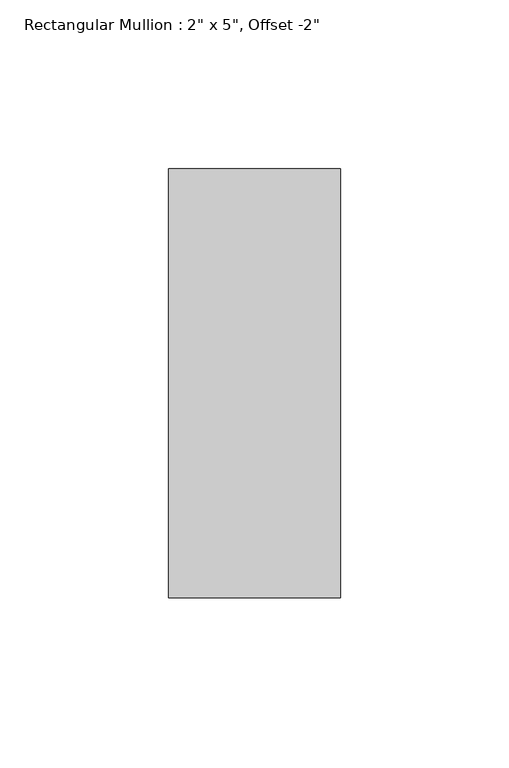
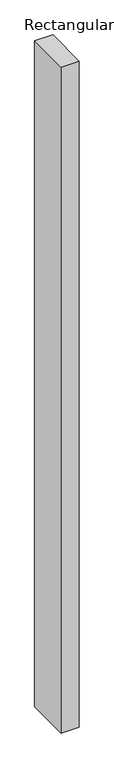
"""IFC4 building model written with IfcOpenShell, lengths in millimetres: member geometry."""

from ifc_helpers import new_model, si_unit, frame, origin, place, context, project, spatial, polyline, outline, extrude, source, transform, mapped, element, save


def member_d0b643f1(model_context):
    return source(origin(), model_context, "Body", "SweptSolid", [
        extrude(outline(polyline([(0.0, 12.7), (0.0, -114.3), (-50.8, -114.3), (-50.8, 12.7), (0.0, 12.7)])), frame((0.0, 0.0, -1962.15), z_axis=(0.0, 0.0, 1.0), x_axis=(1.0, 0.0, 0.0)), (0.0, 0.0, 1.0), 1962.15),
    ])


if __name__ == "__main__":
    model = new_model("IFC4")
    model_context = context("Model", 3, world=origin())
    ifc_project = project(units=[si_unit("LENGTHUNIT", "METRE", prefix="MILLI")], contexts=[model_context])
    site = spatial("IfcSite", under=ifc_project)
    building = spatial("IfcBuilding", under=site)
    placement = place(None, origin())
    member_shape = member_d0b643f1(model_context)
    element("IfcMember", 1, ObjectType="Rectangular Mullion : 2\" x 5\", Offset -2\"", at=placement, inside=building, context=model_context, shape_type="MappedRepresentation", body=[
        mapped(member_shape, transform((0.0, 0.0, 0.0), x_axis=(1.0, 0.0, 0.0), y_axis=(0.0, 1.0, 0.0), z_axis=(0.0, 0.0, 1.0))),
    ])
    save(model, "model.ifc")
